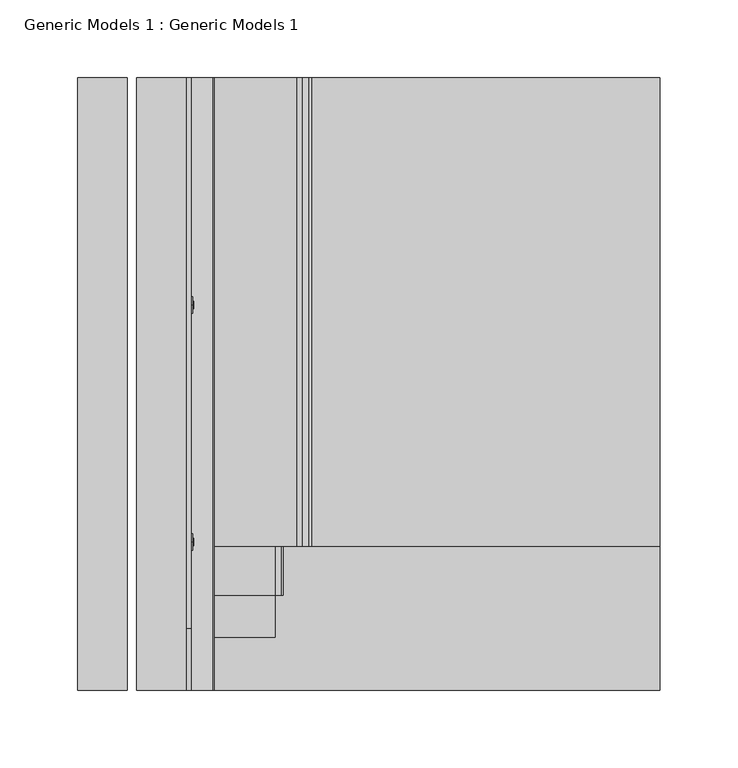
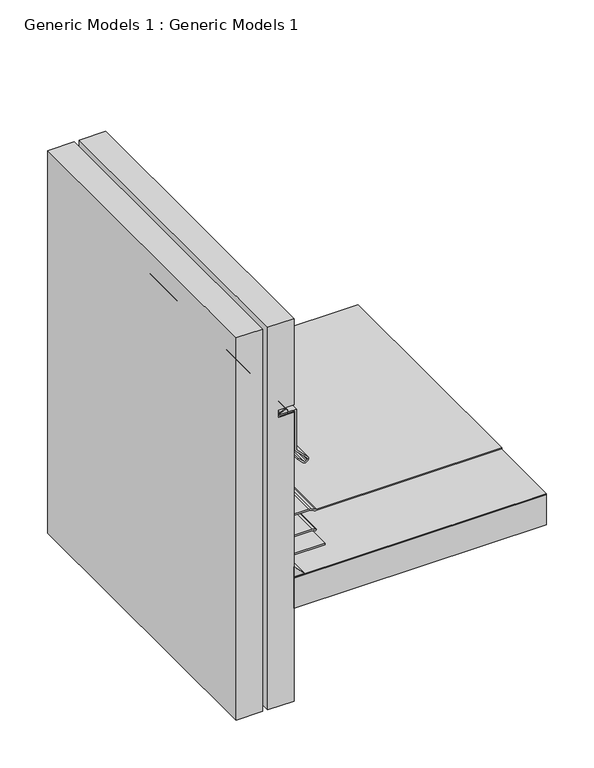
"""IFC4 building model written with IfcOpenShell, lengths in millimetres: proxy geometry, Generic Models 1 : Generic Models 1."""

from ifc_helpers import new_model, si_unit, point, frame, frame_2d, origin, place, context, project, spatial, polyline, circle_curve, trimmed, segment, composite_curve, outline, extrude, faceted_brep, source, transform, mapped, element, save
from ifc_brep_helpers import plane_surface, cylinder_surface, revolved_surface, advanced_brep


def generic_models_1_generic_models_1_589b2e54(model_context):
    return source(origin(), model_context, "Body", "SolidModel", [
        advanced_brep(
        [(74.848277, 247.65, 376.3837714), (74.848277, 247.65, 378.1346767), (69.8833383, 247.65, 377.259224), (85.725, 247.65, 376.3837714), (85.725, 247.65, 378.1346767), (85.725, 247.65, 372.0261873), (85.725, 247.65, 382.4922608), (86.5293292, 247.65, 372.0261873), (86.5293292, 247.65, 382.4922608), (86.5293292, 247.65, 374.842855), (86.5293292, 247.65, 379.6755931), (87.3191506, 247.65, 374.842855), (87.3191506, 247.65, 379.6755931), (87.3191506, 247.65, 377.259224)],
        [
            (0, 1, circle_curve(frame((74.848277, 247.65, 377.259224), z_axis=(-1.0, 0.0, 0.0), x_axis=(0.0, 0.0, 1.0)), 0.8754526)),
            (1, 2),
            (2, 0),
            (1, 0, circle_curve(frame((74.848277, 247.65, 377.259224), z_axis=(-1.0, 0.0, 0.0), x_axis=(0.0, 0.0, 1.0)), 0.8754526)),
            (3, 4, circle_curve(frame((85.725, 247.65, 377.259224), z_axis=(-1.0, 0.0, 0.0), x_axis=(0.0, 0.0, 1.0)), 0.8754526)),
            (4, 1),
            (0, 3),
            (4, 3, circle_curve(frame((85.725, 247.65, 377.259224), z_axis=(-1.0, 0.0, 0.0), x_axis=(0.0, 0.0, 1.0)), 0.8754526)),
            (5, 6, circle_curve(frame((85.725, 247.65, 377.259224), z_axis=(-1.0, 0.0, 0.0), x_axis=(0.0, 0.0, 1.0)), 5.2330367)),
            (6, 4),
            (3, 5),
            (6, 5, circle_curve(frame((85.725, 247.65, 377.259224), z_axis=(-1.0, 0.0, 0.0), x_axis=(0.0, 0.0, 1.0)), 5.2330367)),
            (7, 8, circle_curve(frame((86.5293292, 247.65, 377.259224), z_axis=(-1.0, 0.0, 0.0), x_axis=(0.0, 0.0, 1.0)), 5.2330367)),
            (8, 6),
            (5, 7),
            (8, 7, circle_curve(frame((86.5293292, 247.65, 377.259224), z_axis=(-1.0, 0.0, 0.0), x_axis=(0.0, 0.0, 1.0)), 5.2330367)),
            (9, 10, circle_curve(frame((86.5293292, 247.65, 377.259224), z_axis=(-1.0, 0.0, 0.0), x_axis=(0.0, 0.0, 1.0)), 2.4163691)),
            (10, 8),
            (7, 9),
            (10, 9, circle_curve(frame((86.5293292, 247.65, 377.259224), z_axis=(-1.0, 0.0, 0.0), x_axis=(0.0, 0.0, 1.0)), 2.4163691)),
            (11, 12, circle_curve(frame((87.3191506, 247.65, 377.259224), z_axis=(-1.0, 0.0, 0.0), x_axis=(0.0, 0.0, 1.0)), 2.4163691)),
            (12, 10),
            (9, 11),
            (12, 11, circle_curve(frame((87.3191506, 247.65, 377.259224), z_axis=(-1.0, 0.0, 0.0), x_axis=(0.0, 0.0, 1.0)), 2.4163691)),
            (13, 12),
            (11, 13),
        ],
        [
            revolved_surface(polyline([(69.8833383, 247.65, 377.259224), (74.848277, 247.65, 378.1346767)]), (87.3191506, 247.65, 377.259224), (1.0, 0.0, 0.0)),
            cylinder_surface(frame((87.3191506, 247.65, 377.259224), z_axis=(1.0, 0.0, 0.0), x_axis=(0.0, 0.0, 1.0)), 0.8754526),
            plane_surface(frame((85.725, 247.65, 377.259224), z_axis=(-1.0, 0.0, 0.0), x_axis=(0.0, 0.0, 1.0))),
            cylinder_surface(frame((87.3191506, 247.65, 377.259224), z_axis=(1.0, 0.0, 0.0), x_axis=(0.0, 0.0, 1.0)), 5.2330367),
            plane_surface(frame((86.5293292, 247.65, 377.259224), z_axis=(1.0, 0.0, 0.0), x_axis=(0.0, 0.0, 1.0))),
            cylinder_surface(frame((87.3191506, 247.65, 377.259224), z_axis=(1.0, 0.0, 0.0), x_axis=(0.0, 0.0, 1.0)), 2.4163691),
            plane_surface(frame((87.3191506, 247.65, 377.259224), z_axis=(1.0, 0.0, 0.0), x_axis=(0.0, 0.0, 1.0))),
        ],
        [
            (0, [[1, 2, 3]]),
            (0, [[4, -3, -2]]),
            (1, [[5, 6, -1, 7]]),
            (1, [[8, -7, -4, -6]]),
            (2, [[9, 10, -5, 11]]),
            (2, [[12, -11, -8, -10]]),
            (3, [[13, 14, -9, 15]]),
            (3, [[16, -15, -12, -14]]),
            (4, [[17, 18, -13, 19]]),
            (4, [[20, -19, -16, -18]]),
            (5, [[21, 22, -17, 23]]),
            (5, [[24, -23, -20, -22]]),
            (6, [[25, -21, 26]]),
            (6, [[-26, -24, -25]]),
        ],
    ),
        advanced_brep(
        [(74.848277, 95.25, 376.3837714), (74.848277, 95.25, 378.1346767), (69.8833383, 95.25, 377.259224), (85.725, 95.25, 376.3837714), (85.725, 95.25, 378.1346767), (85.725, 95.25, 372.0261873), (85.725, 95.25, 382.4922608), (86.5293292, 95.25, 372.0261873), (86.5293292, 95.25, 382.4922608), (86.5293292, 95.25, 374.842855), (86.5293292, 95.25, 379.6755931), (87.3191506, 95.25, 374.842855), (87.3191506, 95.25, 379.6755931), (87.3191506, 95.25, 377.259224)],
        [
            (0, 1, circle_curve(frame((74.848277, 95.25, 377.259224), z_axis=(-1.0, 0.0, 0.0), x_axis=(0.0, 0.0, 1.0)), 0.8754526)),
            (1, 2),
            (2, 0),
            (1, 0, circle_curve(frame((74.848277, 95.25, 377.259224), z_axis=(-1.0, 0.0, 0.0), x_axis=(0.0, 0.0, 1.0)), 0.8754526)),
            (3, 4, circle_curve(frame((85.725, 95.25, 377.259224), z_axis=(-1.0, 0.0, 0.0), x_axis=(0.0, 0.0, 1.0)), 0.8754526)),
            (4, 1),
            (0, 3),
            (4, 3, circle_curve(frame((85.725, 95.25, 377.259224), z_axis=(-1.0, 0.0, 0.0), x_axis=(0.0, 0.0, 1.0)), 0.8754526)),
            (5, 6, circle_curve(frame((85.725, 95.25, 377.259224), z_axis=(-1.0, 0.0, 0.0), x_axis=(0.0, 0.0, 1.0)), 5.2330367)),
            (6, 4),
            (3, 5),
            (6, 5, circle_curve(frame((85.725, 95.25, 377.259224), z_axis=(-1.0, 0.0, 0.0), x_axis=(0.0, 0.0, 1.0)), 5.2330367)),
            (7, 8, circle_curve(frame((86.5293292, 95.25, 377.259224), z_axis=(-1.0, 0.0, 0.0), x_axis=(0.0, 0.0, 1.0)), 5.2330367)),
            (8, 6),
            (5, 7),
            (8, 7, circle_curve(frame((86.5293292, 95.25, 377.259224), z_axis=(-1.0, 0.0, 0.0), x_axis=(0.0, 0.0, 1.0)), 5.2330367)),
            (9, 10, circle_curve(frame((86.5293292, 95.25, 377.259224), z_axis=(-1.0, 0.0, 0.0), x_axis=(0.0, 0.0, 1.0)), 2.4163691)),
            (10, 8),
            (7, 9),
            (10, 9, circle_curve(frame((86.5293292, 95.25, 377.259224), z_axis=(-1.0, 0.0, 0.0), x_axis=(0.0, 0.0, 1.0)), 2.4163691)),
            (11, 12, circle_curve(frame((87.3191506, 95.25, 377.259224), z_axis=(-1.0, 0.0, 0.0), x_axis=(0.0, 0.0, 1.0)), 2.4163691)),
            (12, 10),
            (9, 11),
            (12, 11, circle_curve(frame((87.3191506, 95.25, 377.259224), z_axis=(-1.0, 0.0, 0.0), x_axis=(0.0, 0.0, 1.0)), 2.4163691)),
            (13, 12),
            (11, 13),
        ],
        [
            revolved_surface(polyline([(69.8833383, 95.25, 377.259224), (74.848277, 95.25, 378.1346767)]), (87.3191506, 95.25, 377.259224), (1.0, 0.0, 0.0)),
            cylinder_surface(frame((87.3191506, 95.25, 377.259224), z_axis=(1.0, 0.0, 0.0), x_axis=(0.0, 0.0, 1.0)), 0.8754526),
            plane_surface(frame((85.725, 95.25, 377.259224), z_axis=(-1.0, 0.0, 0.0), x_axis=(0.0, 0.0, 1.0))),
            cylinder_surface(frame((87.3191506, 95.25, 377.259224), z_axis=(1.0, 0.0, 0.0), x_axis=(0.0, 0.0, 1.0)), 5.2330367),
            plane_surface(frame((86.5293292, 95.25, 377.259224), z_axis=(1.0, 0.0, 0.0), x_axis=(0.0, 0.0, 1.0))),
            cylinder_surface(frame((87.3191506, 95.25, 377.259224), z_axis=(1.0, 0.0, 0.0), x_axis=(0.0, 0.0, 1.0)), 2.4163691),
            plane_surface(frame((87.3191506, 95.25, 377.259224), z_axis=(1.0, 0.0, 0.0), x_axis=(0.0, 0.0, 1.0))),
        ],
        [
            (0, [[1, 2, 3]]),
            (0, [[4, -3, -2]]),
            (1, [[5, 6, -1, 7]]),
            (1, [[8, -7, -4, -6]]),
            (2, [[9, 10, -5, 11]]),
            (2, [[12, -11, -8, -10]]),
            (3, [[13, 14, -9, 15]]),
            (3, [[16, -15, -12, -14]]),
            (4, [[17, 18, -13, 19]]),
            (4, [[20, -19, -16, -18]]),
            (5, [[21, 22, -17, 23]]),
            (5, [[24, -23, -20, -22]]),
            (6, [[25, -21, 26]]),
            (6, [[-26, -24, -25]]),
        ],
    ),
        extrude(outline(polyline([(82.55, 393.8469389), (387.35, 393.8469389), (387.35, 0.0), (82.55, 0.0), (82.55, 393.8469389)])), frame((0.0, 0.0, 188.9125), z_axis=(0.0, 0.0, 1.0), x_axis=(1.0, 0.0, 0.0)), (0.0, 0.0, 1.0), 0.79375),
        extrude(outline(composite_curve([segment(polyline([(403.225, 75.1423299), (403.225, 85.725)]), True, "CONTINUOUS"), segment(trimmed(circle_curve(frame_2d((402.9309182, 77.1993364)), 8.5307341), [point((403.225, 85.725))], [point((409.575, 82.55))], False, "CARTESIAN"), True, "CONTINUOUS"), segment(polyline([(409.575, 82.55), (409.575, 72.3151278)]), True, "CONTINUOUS"), segment(trimmed(circle_curve(frame_2d((405.0345156, 70.6618006)), 4.8321309), [point((409.575, 72.3151278))], [point((403.225, 75.1423299))], True, "CARTESIAN"), True, "CONTINUOUS")], self_intersect=False)), frame((0.0, 39.8923794, 0.0), z_axis=(0.0, 1.0, 0.0), x_axis=(0.0, 0.0, 1.0)), (0.0, 0.0, 1.0), 353.9545595),
        extrude(outline(composite_curve([segment(trimmed(circle_curve(frame_2d((403.8754514, 66.7034478)), 0.6504514), [point((404.4270654, 66.3587611))], [point((403.225, 66.7034478))], False, "CARTESIAN"), True, "CONTINUOUS"), segment(polyline([(403.225, 66.7034478), (403.225, 74.6810121)]), True, "CONTINUOUS"), segment(trimmed(circle_curve(frame_2d((404.5665127, 72.183032)), 2.835412), [point((403.225, 74.6810121))], [point((407.320521, 72.8575687))], False, "CARTESIAN"), True, "CONTINUOUS"), segment(polyline([(407.320521, 72.8575687), (404.4270654, 66.3587611)]), True, "CONTINUOUS")], self_intersect=False)), frame((0.0, 0.0, 0.0), z_axis=(0.0, 1.0, 0.0), x_axis=(0.0, 0.0, 1.0)), (0.0, 0.0, 1.0), 304.8),
        extrude(outline(composite_curve([segment(trimmed(circle_curve(frame_2d((334.2081059, 96.0417821)), 3.175), [point((331.9630419, 93.7967181))], [point((331.9630419, 98.2868461))], False, "CARTESIAN"), True, "CONTINUOUS"), segment(polyline([(331.9630419, 98.2868461), (333.1022579, 99.4260621)]), True, "CONTINUOUS"), segment(trimmed(circle_curve(frame_2d((335.3473219, 97.1809981)), 3.175), [point((333.1022579, 99.4260621))], [point((337.592386, 99.4260621))], False, "CARTESIAN"), True, "CONTINUOUS"), segment(polyline([(337.592386, 99.4260621), (351.2934481, 85.725), (403.225, 85.725), (403.225, 66.7034478)]), True, "CONTINUOUS"), segment(trimmed(circle_curve(frame_2d((403.8754514, 66.7034478)), 0.6504514), [point((403.225, 66.7034478))], [point((404.4270654, 66.3587611))], True, "CARTESIAN"), True, "CONTINUOUS"), segment(polyline([(404.4270654, 66.3587611), (407.6739293, 73.6513369), (409.1241828, 73.0056425), (405.8457235, 65.6421024)]), True, "CONTINUOUS"), segment(trimmed(circle_curve(frame_2d((403.8754514, 66.7034478)), 2.2379514), [point((405.8457235, 65.6421024))], [point((401.6375, 66.7034478))], False, "CARTESIAN"), True, "CONTINUOUS"), segment(polyline([(401.6375, 66.7034478), (401.6375, 84.1375), (350.6358841, 84.1375), (336.469854, 98.3035301)]), True, "CONTINUOUS"), segment(trimmed(circle_curve(frame_2d((335.3473219, 97.1809981)), 1.5875), [point((336.469854, 98.3035301))], [point((334.2247899, 98.3035301))], True, "CARTESIAN"), True, "CONTINUOUS"), segment(polyline([(334.2247899, 98.3035301), (333.0855739, 97.1643141)]), True, "CONTINUOUS"), segment(trimmed(circle_curve(frame_2d((334.2081059, 96.0417821)), 1.5875), [point((333.0855739, 97.1643141))], [point((333.0855739, 94.9192501))], True, "CARTESIAN"), True, "CONTINUOUS"), segment(polyline([(333.0855739, 94.9192501), (339.820766, 88.184058), (338.698234, 87.061526), (331.9630419, 93.7967181)]), True, "CONTINUOUS")], self_intersect=False)), frame((0.0, 0.0, 0.0), z_axis=(0.0, 1.0, 0.0), x_axis=(0.0, 0.0, 1.0)), (0.0, 0.0, 1.0), 393.8469389),
        extrude(outline(composite_curve([segment(trimmed(circle_curve(frame_2d((187.325, 153.7084294)), 6.35), [point((193.675, 153.7084294))], [point((193.0800544, 156.3920554))], True, "CARTESIAN"), True, "CONTINUOUS"), segment(polyline([(193.0800544, 156.3920554), (191.0949456, 160.6491351)]), True, "CONTINUOUS"), segment(trimmed(circle_curve(frame_2d((196.85, 163.3327611)), 6.35), [point((191.0949456, 160.6491351))], [point((190.5, 163.3327611))], False, "CARTESIAN"), True, "CONTINUOUS"), segment(polyline([(190.5, 163.3327611), (190.5, 387.35), (192.0875, 387.35), (192.0875, 163.3327611)]), True, "CONTINUOUS"), segment(trimmed(circle_curve(frame_2d((196.85, 163.3327611)), 4.7625), [point((192.0875, 163.3327611))], [point((192.5337092, 161.3200416))], True, "CARTESIAN"), True, "CONTINUOUS"), segment(polyline([(192.5337092, 161.3200416), (194.5188181, 157.0629619)]), True, "CONTINUOUS"), segment(trimmed(circle_curve(frame_2d((187.325, 153.7084294)), 7.9375), [point((194.5188181, 157.0629619))], [point((195.2625, 153.7084294))], False, "CARTESIAN"), True, "CONTINUOUS"), segment(polyline([(195.2625, 153.7084294), (195.2625, 98.5378202), (193.675, 98.5378202), (193.675, 153.7084294)]), True, "CONTINUOUS")], self_intersect=False)), frame((0.0, 92.6863112, 0.0), z_axis=(0.0, 1.0, 0.0), x_axis=(0.0, 0.0, 1.0)), (0.0, 0.0, 1.0), 301.1606278),
        extrude(outline(composite_curve([segment(polyline([(400.05, 82.55), (236.8806049, 82.55)]), True, "CONTINUOUS"), segment(trimmed(circle_curve(frame_2d((236.8806049, 88.9)), 6.35), [point((236.8806049, 82.55))], [point((233.8064244, 83.34375))], False, "CARTESIAN"), True, "CONTINUOUS"), segment(trimmed(circle_curve(frame_2d((230.7322439, 77.7875)), 6.35), [point((233.8064244, 83.34375))], [point((230.7322439, 84.1375))], True, "CARTESIAN"), True, "CONTINUOUS"), segment(polyline([(230.7322439, 84.1375), (206.4878202, 84.1375)]), True, "CONTINUOUS"), segment(trimmed(circle_curve(frame_2d((206.4878202, 90.4875)), 6.35), [point((206.4878202, 84.1375))], [point((201.9976921, 85.9973719))], False, "CARTESIAN"), True, "CONTINUOUS"), segment(polyline([(201.9976921, 85.9973719), (193.9473719, 94.0476921)]), True, "CONTINUOUS"), segment(trimmed(circle_curve(frame_2d((198.4375, 98.5378202)), 6.35), [point((193.9473719, 94.0476921))], [point((192.0875, 98.5378202))], False, "CARTESIAN"), True, "CONTINUOUS"), segment(polyline([(192.0875, 98.5378202), (192.0875, 139.6852414)]), True, "CONTINUOUS"), segment(trimmed(circle_curve(frame_2d((185.7375, 139.6852414)), 6.35), [point((192.0875, 139.6852414))], [point((191.2367613, 142.8602414))], True, "CARTESIAN"), True, "CONTINUOUS"), segment(polyline([(191.2367613, 142.8602414), (190.5, 144.1363494), (191.8748153, 144.9300994), (192.6115766, 143.6539914)]), True, "CONTINUOUS"), segment(trimmed(circle_curve(frame_2d((185.7375, 139.6852414)), 7.9375), [point((192.6115766, 143.6539914))], [point((193.675, 139.6852414))], False, "CARTESIAN"), True, "CONTINUOUS"), segment(polyline([(193.675, 139.6852414), (193.675, 98.5378202)]), True, "CONTINUOUS"), segment(trimmed(circle_curve(frame_2d((198.4375, 98.5378202)), 4.7625), [point((193.675, 98.5378202))], [point((195.069904, 95.1702241))], True, "CARTESIAN"), True, "CONTINUOUS"), segment(polyline([(195.069904, 95.1702241), (203.1202241, 87.119904)]), True, "CONTINUOUS"), segment(trimmed(circle_curve(frame_2d((206.4878202, 90.4875)), 4.7625), [point((203.1202241, 87.119904))], [point((206.4878202, 85.725))], True, "CARTESIAN"), True, "CONTINUOUS"), segment(polyline([(206.4878202, 85.725), (230.7322439, 85.725)]), True, "CONTINUOUS"), segment(trimmed(circle_curve(frame_2d((230.7322439, 77.7875)), 7.9375), [point((230.7322439, 85.725))], [point((234.5749695, 84.7328125))], False, "CARTESIAN"), True, "CONTINUOUS"), segment(trimmed(circle_curve(frame_2d((236.8806049, 88.9)), 4.7625), [point((234.5749695, 84.7328125))], [point((236.8806049, 84.1375))], True, "CARTESIAN"), True, "CONTINUOUS"), segment(polyline([(236.8806049, 84.1375), (401.6375, 84.1375), (401.6375, 63.5), (400.05, 63.5), (400.05, 82.55)]), True, "CONTINUOUS")], self_intersect=False)), frame((0.0, 60.9418638, 0.0), z_axis=(0.0, 1.0, 0.0), x_axis=(0.0, 0.0, 1.0)), (0.0, 0.0, 1.0), 332.9050752),
        faceted_brep([(82.55, 393.8469389, 31.75), (50.8, 393.8469389, 31.75), (50.8, 393.8469389, 519.7623023), (82.55, 393.8469389, 519.7623023), (82.55, 0.0, 519.7623023), (50.8, 0.0, 519.7623023), (50.8, 0.0, 31.75), (82.55, 0.0, 31.75), (82.55, 0.0, 400.05), (63.5, 0.0, 400.05), (63.5, 0.0, 409.575), (82.55, 0.0, 409.575), (82.55, 261.3017557, 409.575), (82.55, 261.3017557, 400.05), (63.5, 261.3017557, 409.575), (63.5, 261.3017557, 400.05)], [[[0, 1, 2, 3]], [[4, 5, 6, 7, 8, 9, 10, 11]], [[0, 3, 4, 11, 12, 13, 8, 7]], [[3, 2, 5, 4]], [[2, 1, 6, 5]], [[1, 0, 7, 6]], [[12, 14, 15, 13]], [[13, 15, 9, 8]], [[15, 14, 10, 9]], [[14, 12, 11, 10]]]),
        extrude(outline(composite_curve([segment(trimmed(circle_curve(frame_2d((205.8302561, 88.9)), 6.35), [point((205.8302561, 82.55))], [point((201.3401281, 84.4098719))], False, "CARTESIAN"), True, "CONTINUOUS"), segment(polyline([(201.3401281, 84.4098719), (192.3598719, 93.3901281)]), True, "CONTINUOUS"), segment(trimmed(circle_curve(frame_2d((196.85, 97.8802561)), 6.35), [point((192.3598719, 93.3901281))], [point((190.5, 97.8802561))], False, "CARTESIAN"), True, "CONTINUOUS"), segment(polyline([(190.5, 97.8802561), (190.5, 139.7), (192.0875, 139.7), (192.0875, 97.8802561)]), True, "CONTINUOUS"), segment(trimmed(circle_curve(frame_2d((196.85, 97.8802561)), 4.7625), [point((192.0875, 97.8802561))], [point((193.482404, 94.5126601))], True, "CARTESIAN"), True, "CONTINUOUS"), segment(polyline([(193.482404, 94.5126601), (202.4626601, 85.532404)]), True, "CONTINUOUS"), segment(trimmed(circle_curve(frame_2d((205.8302561, 88.9)), 4.7625), [point((202.4626601, 85.532404))], [point((205.8302561, 84.1375))], True, "CARTESIAN"), True, "CONTINUOUS"), segment(polyline([(205.8302561, 84.1375), (228.6, 84.1375), (228.6, 82.55), (205.8302561, 82.55)]), True, "CONTINUOUS")], self_intersect=False)), frame((0.0, 34.1351637, 0.0), z_axis=(0.0, 1.0, 0.0), x_axis=(0.0, 0.0, 1.0)), (0.0, 0.0, 1.0), 359.7117752),
        extrude(outline(polyline([(203.2, 82.55), (190.5, 82.55), (190.5, 95.25), (203.2, 82.55)])), frame((0.0, 0.0, 0.0), z_axis=(0.0, 1.0, 0.0), x_axis=(0.0, 0.0, 1.0)), (0.0, 0.0, 1.0), 393.8469389),
        extrude(outline(polyline([(82.55, 261.3017557), (387.35, 261.3017557), (387.35, 0.0), (82.55, 0.0), (82.55, 261.3017557)])), frame((0.0, 0.0, 150.01875), z_axis=(0.0, 0.0, 1.0), x_axis=(1.0, 0.0, 0.0)), (0.0, 0.0, 1.0), 38.1),
        extrude(outline(polyline([(44.45, 0.0), (12.7, 0.0), (12.7, 393.8469389), (44.45, 393.8469389), (44.45, 0.0)])), frame((0.0, 0.0, 31.75), z_axis=(0.0, 0.0, 1.0), x_axis=(1.0, 0.0, 0.0)), (0.0, 0.0, 1.0), 488.0123023),
    ])


if __name__ == "__main__":
    model = new_model("IFC4")
    model_context = context("Model", 3, world=origin())
    ifc_project = project(units=[si_unit("LENGTHUNIT", "METRE", prefix="MILLI")], contexts=[model_context])
    site = spatial("IfcSite", under=ifc_project)
    building = spatial("IfcBuilding", under=site)
    placement = place(None, origin())
    generic_models_1_generic_models_1_shape = generic_models_1_generic_models_1_589b2e54(model_context)
    element("IfcBuildingElementProxy", 1, Name="Generic Models 1 : Generic Models 1", ObjectType="Generic Models 1 : Generic Models 1", at=placement, inside=building, context=model_context, shape_type="MappedRepresentation", body=[
        mapped(generic_models_1_generic_models_1_shape, transform((0.0, 0.0, 0.0), x_axis=(1.0, 0.0, 0.0), y_axis=(0.0, 1.0, 0.0), z_axis=(0.0, 0.0, 1.0))),
    ])
    save(model, "model.ifc")
